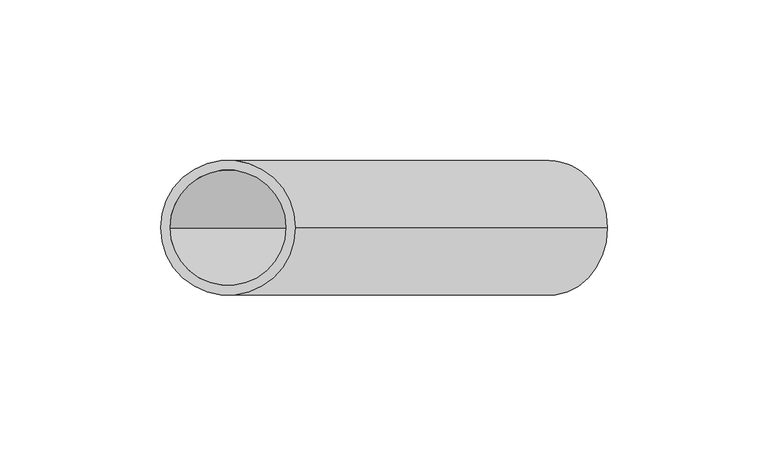
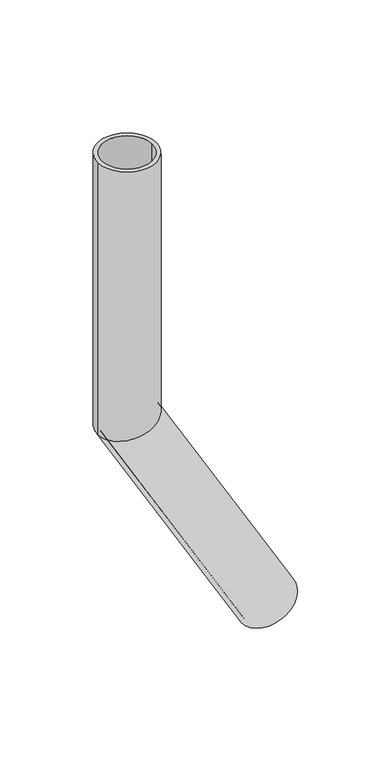
"""IFC4 building model written with IfcOpenShell, lengths in millimetres: beam geometry."""

from ifc_helpers import new_model, si_unit, frame, origin, place, context, project, spatial, polyline, circle_curve, ellipse_curve, source, transform, mapped, element, save
from ifc_brep_helpers import plane_surface, cylinder_surface, revolved_surface, advanced_brep


def beam_ee3cd364(model_context):
    return source(origin(), model_context, "Body", "AdvancedBrep", [
        advanced_brep(
        [(118.1865335, 0.0, -362.7050808), (81.8134665, 0.0, -383.7050808), (115.5884573, 0.0, -364.2050808), (84.4115427, 0.0, -382.2050808), (21.0, 0.0, 0.0), (-21.0, 0.0, 0.0), (18.0, 0.0, 0.0), (-18.0, 0.0, 0.0), (18.0, 0.0, -195.1769145), (0.0, -18.0, -200.0), (-18.0, 0.0, -204.8230855), (0.0, 18.0, -200.0), (21.0, 0.0, -194.373067), (-21.0, 0.0, -205.626933)],
        [
            (0, 1, circle_curve(frame((100.0, 0.0, -373.2050808), z_axis=(0.5000000000000633, 0.0, -0.8660254037844022), x_axis=(-0.8660254037844022, 0.0, -0.5000000000000633)), 21.0)),
            (1, 0, circle_curve(frame((100.0, 0.0, -373.2050808), z_axis=(0.5000000000000633, 0.0, -0.8660254037844022), x_axis=(-0.8660254037844022, 0.0, -0.5000000000000633)), 21.0)),
            (2, 3, circle_curve(frame((100.0, 0.0, -373.2050808), z_axis=(-0.5000000000000633, 0.0, 0.8660254037844022), x_axis=(-0.8660254037844022, 0.0, -0.5000000000000633)), 18.0)),
            (3, 2, circle_curve(frame((100.0, 0.0, -373.2050808), z_axis=(-0.5000000000000633, 0.0, 0.8660254037844022), x_axis=(-0.8660254037844022, 0.0, -0.5000000000000633)), 18.0)),
            (4, 5, circle_curve(frame((0.0, 0.0, 0.0), z_axis=(0.0, 0.0, 1.0), x_axis=(-1.0, 0.0, 0.0)), 21.0)),
            (5, 4, circle_curve(frame((0.0, 0.0, 0.0), z_axis=(0.0, 0.0, 1.0), x_axis=(-1.0, 0.0, 0.0)), 21.0)),
            (6, 7, circle_curve(frame((0.0, 0.0, 0.0), z_axis=(0.0, 0.0, -1.0), x_axis=(-1.0, 0.0, 0.0)), 18.0)),
            (7, 6, circle_curve(frame((0.0, 0.0, 0.0), z_axis=(0.0, 0.0, -1.0), x_axis=(-1.0, 0.0, 0.0)), 18.0)),
            (6, 8),
            (8, 9, ellipse_curve(frame((0.0, 0.0, -200.0), z_axis=(0.25881904510255604, 0.0, -0.9659258262890589), x_axis=(0.9659258262890589, 0.0, 0.25881904510255593)), 18.6349712, 18.0)),
            (9, 10, ellipse_curve(frame((0.0, 0.0, -200.0), z_axis=(0.25881904510255604, 0.0, -0.9659258262890589), x_axis=(0.9659258262890589, 0.0, 0.25881904510255593)), 18.6349712, 18.0)),
            (10, 7),
            (10, 11, ellipse_curve(frame((0.0, 0.0, -200.0), z_axis=(0.25881904510255604, 0.0, -0.9659258262890589), x_axis=(0.9659258262890589, 0.0, 0.25881904510255593)), 18.6349712, 18.0)),
            (11, 8, ellipse_curve(frame((0.0, 0.0, -200.0), z_axis=(0.25881904510255604, 0.0, -0.9659258262890589), x_axis=(0.9659258262890589, 0.0, 0.25881904510255593)), 18.6349712, 18.0)),
            (4, 12),
            (12, 13, ellipse_curve(frame((0.0, 0.0, -200.0), z_axis=(-0.25881904510255604, 0.0, 0.9659258262890589), x_axis=(-0.9659258262890589, 0.0, -0.25881904510255593)), 21.7407998, 21.0)),
            (13, 5),
            (13, 12, ellipse_curve(frame((0.0, 0.0, -200.0), z_axis=(-0.25881904510255604, 0.0, 0.9659258262890589), x_axis=(-0.9659258262890589, 0.0, -0.25881904510255593)), 21.7407998, 21.0)),
            (2, 8),
            (10, 3),
            (0, 12),
            (13, 1),
        ],
        [
            plane_surface(frame((100.0, 0.0, -373.2050808), z_axis=(0.5000000000000633, 0.0, -0.8660254037844022), x_axis=(0.0, -1.0, 0.0))),
            plane_surface(frame((0.0, 0.0, 0.0), z_axis=(0.0, 0.0, 1.0), x_axis=(0.0, -1.0, 0.0))),
            revolved_surface(polyline([(-18.0, 0.0, 0.0), (-18.0, 0.0, -204.8230855)]), (0.0, 0.0, -200.0), (0.0, 0.0, 1.0)),
            cylinder_surface(frame((0.0, 0.0, -200.0), z_axis=(0.0, 0.0, -1.0), x_axis=(-1.0, 0.0, 0.0)), 21.0),
            revolved_surface(polyline([(-18.000000012549194, 0.0, -204.8230854851666), (84.41154273985144, 0.0, -382.2050808138068)]), (100.0, 0.0, -373.2050808), (-0.5000000000000633, 0.0, 0.8660254037844022)),
            cylinder_surface(frame((100.0, 0.0, -373.2050808), z_axis=(0.5000000000000633, 0.0, -0.8660254037844022), x_axis=(-0.8660254037844022, 0.0, -0.5000000000000633)), 21.0),
        ],
        [
            (0, [[1, 2], [3, 4]]),
            (1, [[5, 6], [7, 8]]),
            (2, [[-7, 9, 10, 11, 12]]),
            (2, [[-8, -12, 13, 14, -9]]),
            (3, [[-5, 15, 16, 17]]),
            (3, [[-6, -17, 18, -15]]),
            (4, [[-3, 19, -14, -13, 20]]),
            (4, [[-4, -20, -11, -10, -19]]),
            (5, [[-1, 21, -18, 22]]),
            (5, [[-2, -22, -16, -21]]),
        ],
    ),
    ])


if __name__ == "__main__":
    model = new_model("IFC4")
    model_context = context("Model", 3, world=origin())
    ifc_project = project(units=[si_unit("LENGTHUNIT", "METRE", prefix="MILLI")], contexts=[model_context])
    site = spatial("IfcSite", under=ifc_project)
    building = spatial("IfcBuilding", under=site)
    placement = place(None, origin())
    beam_shape = beam_ee3cd364(model_context)
    element("IfcBeam", 1, at=placement, inside=building, context=model_context, shape_type="MappedRepresentation", body=[
        mapped(beam_shape, transform((0.0, 0.0, 0.0), x_axis=(1.0, 0.0, 0.0), y_axis=(0.0, 1.0, 0.0), z_axis=(0.0, 0.0, 1.0))),
    ])
    save(model, "model.ifc")
